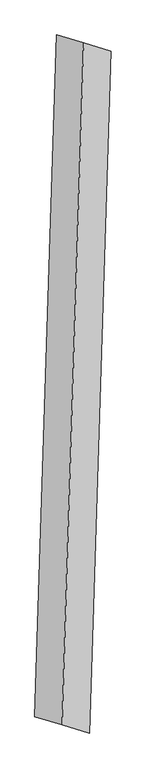
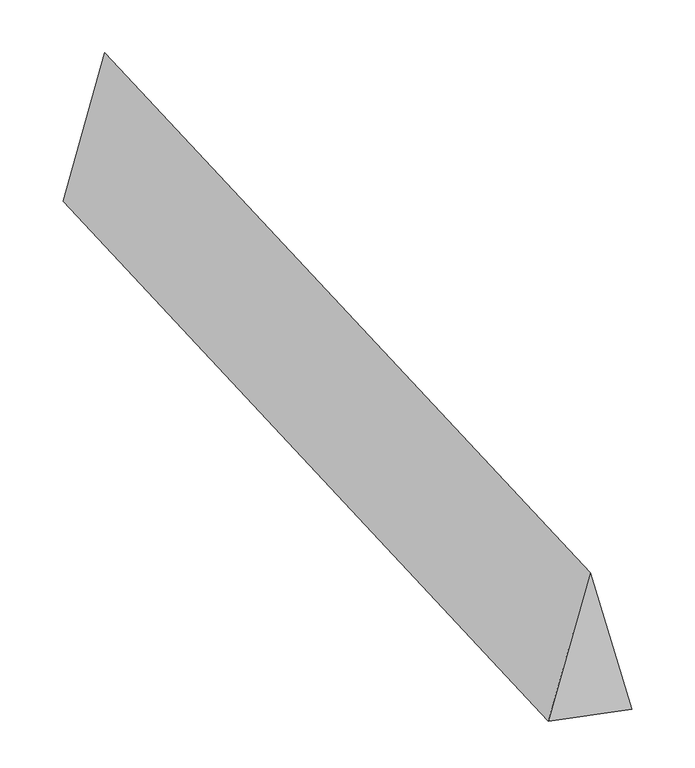
"""IFC4 building model written with IfcOpenShell, lengths in millimetres: proxy geometry."""

from ifc_helpers import new_model, si_unit, origin, place, context, project, spatial, faceted_brep, source, transform, mapped, element, save


def generic_models_d56a3b47(model_context):
    return source(origin(), model_context, "Body", "Brep", [
        faceted_brep([(-65.5762157, -2065.9972948, 700.0), (100.0808442, -2114.9099643, 0.0), (231.2332757, 2017.0846253, 0.0), (65.5762157, 2065.9972948, 700.0), (-231.2332757, -2017.0846253, 0.0), (-100.0808442, 2114.9099643, 0.0)], [[[0, 1, 2, 3]], [[1, 4, 5, 2]], [[4, 0, 3, 5]], [[3, 2, 5]], [[0, 4, 1]]]),
    ])


if __name__ == "__main__":
    model = new_model("IFC4")
    model_context = context("Model", 3, world=origin())
    ifc_project = project(units=[si_unit("LENGTHUNIT", "METRE", prefix="MILLI")], contexts=[model_context])
    site = spatial("IfcSite", under=ifc_project)
    building = spatial("IfcBuilding", under=site)
    placement = place(None, origin())
    generic_models_shape = generic_models_d56a3b47(model_context)
    element("IfcBuildingElementProxy", 1, Name="Generic Models", at=placement, inside=building, context=model_context, shape_type="MappedRepresentation", body=[
        mapped(generic_models_shape, transform((0.0, 0.0, 0.0), x_axis=(1.0, 0.0, 0.0), y_axis=(0.0, 1.0, 0.0), z_axis=(0.0, 0.0, 1.0))),
    ])
    save(model, "model.ifc")
